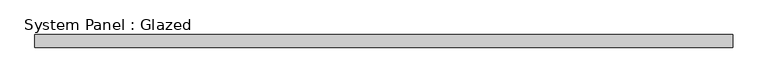
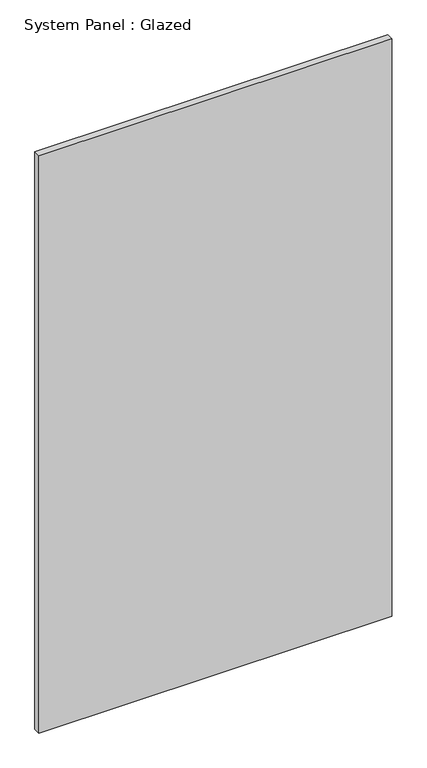
"""IFC4 building model written with IfcOpenShell, lengths in millimetres: plate geometry, System Panel : Glazed."""

from ifc_helpers import new_model, si_unit, origin, origin_with_axes, place, context, project, spatial, polyline, outline, extrude, source, transform, mapped, element, save


def system_panel_glazed_29a6af3b(model_context):
    return source(origin(), model_context, "Body", "SweptSolid", [
        extrude(outline(polyline([(677.375, 19.05), (-677.375, 19.05), (-677.375, 44.45), (677.375, 44.45), (677.375, 19.05)])), origin_with_axes(), (0.0, 0.0, 1.0), 2343.15),
    ])


if __name__ == "__main__":
    model = new_model("IFC4")
    model_context = context("Model", 3, world=origin())
    ifc_project = project(units=[si_unit("LENGTHUNIT", "METRE", prefix="MILLI")], contexts=[model_context])
    site = spatial("IfcSite", under=ifc_project)
    building = spatial("IfcBuilding", under=site)
    placement = place(None, origin())
    system_panel_glazed_shape = system_panel_glazed_29a6af3b(model_context)
    element("IfcPlate", 1, ObjectType="System Panel : Glazed", at=placement, inside=building, context=model_context, shape_type="MappedRepresentation", body=[
        mapped(system_panel_glazed_shape, transform((0.0, 0.0, 0.0), x_axis=(1.0, 0.0, 0.0), y_axis=(0.0, 1.0, 0.0), z_axis=(0.0, 0.0, 1.0))),
    ])
    save(model, "model.ifc")
